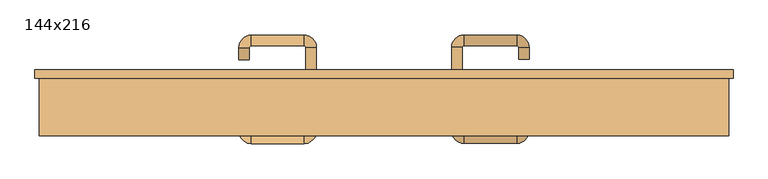
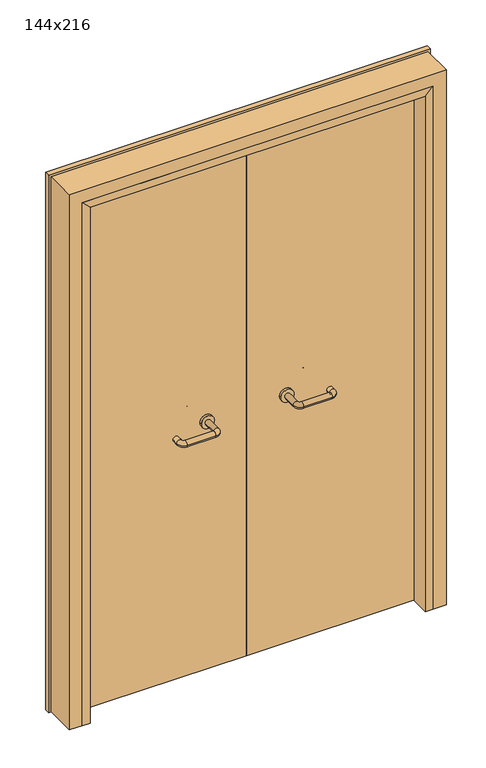
"""IFC4 building model written with IfcOpenShell, lengths in millimetres: door geometry, 144x216."""

from ifc_helpers import new_model, si_unit, point, frame, frame_2d, origin, place, context, project, spatial, polyline, circle_curve, ellipse_curve, trimmed, segment, composite_curve, outline, extrude, faceted_brep, source, transform, mapped, element, save
from ifc_brep_helpers import plane_surface, cylinder_surface, revolved_surface, advanced_brep


def door_144x216_8f34191e(model_context):
    return source(origin(), model_context, "Body", "SolidModel", [
        faceted_brep([(-640.0, 223.0, 0.0), (-640.0, 150.0, 0.0), (-670.0, 150.0, 0.0), (-670.0, 223.0, 0.0), (-640.0, 223.0, 2080.0), (-640.0, 150.0, 2080.0), (-670.0, 150.0, 2110.0), (-670.0, 223.0, 2110.0), (640.0, 223.0, 0.0), (670.0, 223.0, 0.0), (670.0, 150.0, 0.0), (640.0, 150.0, 0.0), (640.0, 223.0, 2080.0), (670.0, 223.0, 2110.0), (670.0, 150.0, 2110.0), (640.0, 150.0, 2080.0)], [[[0, 1, 2, 3]], [[1, 0, 4, 5]], [[2, 1, 5, 6]], [[3, 2, 6, 7]], [[0, 3, 7, 4]], [[8, 9, 10, 11]], [[12, 13, 9, 8]], [[13, 14, 10, 9]], [[14, 15, 11, 10]], [[15, 12, 8, 11]], [[5, 4, 12, 15]], [[6, 5, 15, 14]], [[7, 6, 14, 13]], [[4, 7, 13, 12]]]),
        extrude(outline(polyline([(2169.0, 729.0), (2169.0, -729.0), (0.0, -729.0), (0.0, -685.0), (2125.0, -685.0), (2125.0, 685.0), (0.0, 685.0), (0.0, 729.0), (2169.0, 729.0)])), frame((0.0, 270.0, 0.0), z_axis=(0.0, 1.0, 0.0), x_axis=(0.0, 0.0, 1.0)), (0.0, 0.0, 1.0), 18.0),
        extrude(outline(polyline([(2160.0, -720.0), (0.0, -720.0), (0.0, -670.0), (2110.0, -670.0), (2110.0, 670.0), (0.0, 670.0), (0.0, 720.0), (2160.0, 720.0), (2160.0, -720.0)])), frame((0.0, 150.0, 0.0), z_axis=(0.0, 1.0, 0.0), x_axis=(0.0, 0.0, 1.0)), (0.0, 0.0, 1.0), 120.0),
        advanced_brep(
        [(140.99898, 216.0, 1003.0), (162.99898, 216.0, 1003.0), (140.99898, 160.6474631, 1003.0), (162.99898, 160.6474631, 1003.0), (166.99898, 156.6474631, 1003.0), (166.99898, 134.6474631, 1003.0), (276.99898, 134.6474631, 1003.0), (276.99898, 156.6474631, 1003.0), (280.99898, 160.6474631, 1003.0), (302.99898, 160.6474631, 1003.0), (302.99898, 178.0, 1003.0), (280.99898, 178.0, 1003.0)],
        [
            (0, 1, circle_curve(frame((151.99898, 216.0, 1003.0), z_axis=(0.0, 1.0, 0.0), x_axis=(1.0, 0.0, 0.0)), 11.0)),
            (1, 0, circle_curve(frame((151.99898, 216.0, 1003.0), z_axis=(0.0, 1.0, 0.0), x_axis=(1.0, 0.0, 0.0)), 11.0)),
            (0, 2),
            (2, 3, circle_curve(frame((151.99898, 160.6474631, 1003.0), z_axis=(0.0, 1.0, 0.0), x_axis=(1.0, 0.0, 0.0)), 11.0)),
            (3, 1),
            (3, 2, circle_curve(frame((151.99898, 160.6474631, 1003.0), z_axis=(0.0, 1.0, 0.0), x_axis=(1.0, 0.0, 0.0)), 11.0)),
            (4, 3, circle_curve(frame((166.99898, 160.6474631, 1003.0), z_axis=(0.0, 0.0, -1.0), x_axis=(-1.0, 0.0, 0.0)), 4.0)),
            (2, 5, circle_curve(frame((166.99898, 160.6474631, 1003.0), z_axis=(0.0, 0.0, 1.0), x_axis=(-1.0, 0.0, 0.0)), 26.0)),
            (5, 4, circle_curve(frame((166.99898, 145.6474631, 1003.0), z_axis=(-1.0, 0.0, 0.0), x_axis=(0.0, 1.0, 0.0)), 11.0)),
            (4, 5, circle_curve(frame((166.99898, 145.6474631, 1003.0), z_axis=(-1.0, 0.0, 0.0), x_axis=(0.0, 1.0, 0.0)), 11.0)),
            (5, 6),
            (6, 7, circle_curve(frame((276.99898, 145.6474631, 1003.0), z_axis=(-1.0, 0.0, 0.0), x_axis=(0.0, 1.0, 0.0)), 11.0)),
            (7, 4),
            (7, 6, circle_curve(frame((276.99898, 145.6474631, 1003.0), z_axis=(-1.0, 0.0, 0.0), x_axis=(0.0, 1.0, 0.0)), 11.0)),
            (8, 7, circle_curve(frame((276.99898, 160.6474631, 1003.0), z_axis=(0.0, 0.0, -1.0), x_axis=(0.0, -1.0, 0.0)), 4.0)),
            (6, 9, circle_curve(frame((276.99898, 160.6474631, 1003.0), z_axis=(0.0, 0.0, 1.0), x_axis=(0.0, -1.0, 0.0)), 26.0)),
            (9, 8, circle_curve(frame((291.99898, 160.6474631, 1003.0), z_axis=(0.0, -1.0, 0.0), x_axis=(-1.0, 0.0, 0.0)), 11.0)),
            (8, 9, circle_curve(frame((291.99898, 160.6474631, 1003.0), z_axis=(0.0, -1.0, 0.0), x_axis=(-1.0, 0.0, 0.0)), 11.0)),
            (10, 11, circle_curve(frame((291.99898, 178.0, 1003.0), z_axis=(0.0, 1.0, 0.0), x_axis=(-1.0, 0.0, 0.0)), 11.0)),
            (11, 10, circle_curve(frame((291.99898, 178.0, 1003.0), z_axis=(0.0, 1.0, 0.0), x_axis=(-1.0, 0.0, 0.0)), 11.0)),
            (9, 10),
            (11, 8),
        ],
        [
            plane_surface(frame((140.99898, 216.0, 1003.0), z_axis=(0.0, 1.0, 0.0), x_axis=(0.0, 0.0, -1.0))),
            cylinder_surface(frame((151.99898, 216.0, 1003.0), z_axis=(0.0, 1.0, 0.0), x_axis=(1.0, 0.0, 0.0)), 11.0),
            revolved_surface(trimmed(ellipse_curve(frame((151.99898, 160.6474631, 1003.0), z_axis=(0.0, 1.0, 0.0), x_axis=(1.0, 0.0, 0.0)), 11.0, 11.0), [point((140.99898, 160.6474631, 1003.0))], [point((162.99898, 160.6474631, 1003.0))], True, "CARTESIAN"), (166.99898, 160.6474631, 1003.0), (0.0, 0.0, 1.0)),
            revolved_surface(trimmed(ellipse_curve(frame((151.99898, 160.6474631, 1003.0), z_axis=(0.0, 1.0, 0.0), x_axis=(1.0, 0.0, 0.0)), 11.0, 11.0), [point((162.99898, 160.6474631, 1003.0))], [point((140.99898, 160.6474631, 1003.0))], True, "CARTESIAN"), (166.99898, 160.6474631, 1003.0), (0.0, 0.0, 1.0)),
            cylinder_surface(frame((166.99898, 145.6474631, 1003.0), z_axis=(-1.0, 0.0, 0.0), x_axis=(0.0, 1.0, 0.0)), 11.0),
            revolved_surface(trimmed(ellipse_curve(frame((276.99898, 145.6474631, 1003.0), z_axis=(-1.0, 0.0, 0.0), x_axis=(0.0, 1.0, 0.0)), 11.0, 11.0), [point((276.99898, 134.6474631, 1003.0))], [point((276.99898, 156.6474631, 1003.0))], True, "CARTESIAN"), (276.99898, 160.6474631, 1003.0), (0.0, 0.0, 1.0)),
            revolved_surface(trimmed(ellipse_curve(frame((276.99898, 145.6474631, 1003.0), z_axis=(-1.0, 0.0, 0.0), x_axis=(0.0, 1.0, 0.0)), 11.0, 11.0), [point((276.99898, 156.6474631, 1003.0))], [point((276.99898, 134.6474631, 1003.0))], True, "CARTESIAN"), (276.99898, 160.6474631, 1003.0), (0.0, 0.0, 1.0)),
            plane_surface(frame((280.99898, 178.0, 1003.0), z_axis=(0.0, 1.0, 0.0), x_axis=(0.0, 0.0, 1.0))),
            cylinder_surface(frame((291.99898, 160.6474631, 1003.0), z_axis=(0.0, -1.0, 0.0), x_axis=(-1.0, 0.0, 0.0)), 11.0),
        ],
        [
            (0, [[1, 2]]),
            (1, [[-1, 3, 4, 5]]),
            (1, [[-2, -5, 6, -3]]),
            (2, [[7, -4, 8, 9]]),
            (3, [[-8, -6, -7, 10]]),
            (4, [[-9, 11, 12, 13]]),
            (4, [[-10, -13, 14, -11]]),
            (5, [[15, -12, 16, 17]]),
            (6, [[-16, -14, -15, 18]]),
            (7, [[19, 20]]),
            (8, [[-17, 21, -20, 22]]),
            (8, [[-18, -22, -19, -21]]),
        ],
    ),
        extrude(outline(composite_curve([segment(trimmed(circle_curve(frame_2d((1003.0, 151.99898)), 25.0), [point((1003.0, 126.99898))], [point((1003.0, 176.99898))], False, "CARTESIAN"), True, "CONTINUOUS"), segment(trimmed(circle_curve(frame_2d((1003.0, 151.99898)), 25.0), [point((1003.0, 176.99898))], [point((1003.0, 126.99898))], False, "CARTESIAN"), True, "CONTINUOUS")], self_intersect=False)), frame((0.0, 216.0, 0.0), z_axis=(0.0, 1.0, 0.0), x_axis=(0.0, 0.0, 1.0)), (0.0, 0.0, 1.0), 10.0),
        advanced_brep(
        [(162.99898, 280.0, 1003.0), (140.99898, 280.0, 1003.0), (162.99898, 335.0, 1003.0), (140.99898, 335.0, 1003.0), (166.99898, 361.0, 1003.0), (166.99898, 339.0, 1003.0), (276.99898, 339.0, 1003.0), (276.99898, 361.0, 1003.0), (302.99898, 335.0, 1003.0), (280.99898, 335.0, 1003.0), (280.99898, 310.0, 1003.0), (302.99898, 310.0, 1003.0)],
        [
            (0, 1, circle_curve(frame((151.99898, 280.0, 1003.0), z_axis=(0.0, -1.0, 0.0), x_axis=(-1.0, 0.0, 0.0)), 11.0)),
            (1, 0, circle_curve(frame((151.99898, 280.0, 1003.0), z_axis=(0.0, -1.0, 0.0), x_axis=(-1.0, 0.0, 0.0)), 11.0)),
            (0, 2),
            (2, 3, circle_curve(frame((151.99898, 335.0, 1003.0), z_axis=(0.0, -1.0, 0.0), x_axis=(-1.0, 0.0, 0.0)), 11.0)),
            (3, 1),
            (3, 2, circle_curve(frame((151.99898, 335.0, 1003.0), z_axis=(0.0, -1.0, 0.0), x_axis=(-1.0, 0.0, 0.0)), 11.0)),
            (4, 3, circle_curve(frame((166.99898, 335.0, 1003.0), z_axis=(0.0, 0.0, 1.0), x_axis=(-1.0, 0.0, 0.0)), 26.0)),
            (2, 5, circle_curve(frame((166.99898, 335.0, 1003.0), z_axis=(0.0, 0.0, -1.0), x_axis=(-1.0, 0.0, 0.0)), 4.0)),
            (5, 4, circle_curve(frame((166.99898, 350.0, 1003.0), z_axis=(-1.0, 0.0, 0.0), x_axis=(0.0, 1.0, 0.0)), 11.0)),
            (4, 5, circle_curve(frame((166.99898, 350.0, 1003.0), z_axis=(-1.0, 0.0, 0.0), x_axis=(0.0, 1.0, 0.0)), 11.0)),
            (5, 6),
            (6, 7, circle_curve(frame((276.99898, 350.0, 1003.0), z_axis=(-1.0, 0.0, 0.0), x_axis=(0.0, 1.0, 0.0)), 11.0)),
            (7, 4),
            (7, 6, circle_curve(frame((276.99898, 350.0, 1003.0), z_axis=(-1.0, 0.0, 0.0), x_axis=(0.0, 1.0, 0.0)), 11.0)),
            (8, 7, circle_curve(frame((276.99898, 335.0, 1003.0), z_axis=(0.0, 0.0, 1.0), x_axis=(0.0, 1.0, 0.0)), 26.0)),
            (6, 9, circle_curve(frame((276.99898, 335.0, 1003.0), z_axis=(0.0, 0.0, -1.0), x_axis=(0.0, 1.0, 0.0)), 4.0)),
            (9, 8, circle_curve(frame((291.99898, 335.0, 1003.0), z_axis=(0.0, 1.0, 0.0), x_axis=(1.0, 0.0, 0.0)), 11.0)),
            (8, 9, circle_curve(frame((291.99898, 335.0, 1003.0), z_axis=(0.0, 1.0, 0.0), x_axis=(1.0, 0.0, 0.0)), 11.0)),
            (10, 11, circle_curve(frame((291.99898, 310.0, 1003.0), z_axis=(0.0, -1.0, 0.0), x_axis=(1.0, 0.0, 0.0)), 11.0)),
            (11, 10, circle_curve(frame((291.99898, 310.0, 1003.0), z_axis=(0.0, -1.0, 0.0), x_axis=(1.0, 0.0, 0.0)), 11.0)),
            (9, 10),
            (11, 8),
        ],
        [
            plane_surface(frame((140.99898, 280.0, 1003.0), z_axis=(0.0, -1.0, 0.0), x_axis=(0.0, 0.0, 1.0))),
            cylinder_surface(frame((151.99898, 280.0, 1003.0), z_axis=(0.0, -1.0, 0.0), x_axis=(-1.0, 0.0, 0.0)), 11.0),
            revolved_surface(trimmed(ellipse_curve(frame((151.99898, 335.0, 1003.0), z_axis=(0.0, -1.0, 0.0), x_axis=(-1.0, 0.0, 0.0)), 11.0, 11.0), [point((162.99898, 335.0, 1003.0))], [point((140.99898, 335.0, 1003.0))], True, "CARTESIAN"), (166.99898, 335.0, 1003.0), (0.0, 0.0, -1.0)),
            revolved_surface(trimmed(ellipse_curve(frame((151.99898, 335.0, 1003.0), z_axis=(0.0, -1.0, 0.0), x_axis=(-1.0, 0.0, 0.0)), 11.0, 11.0), [point((140.99898, 335.0, 1003.0))], [point((162.99898, 335.0, 1003.0))], True, "CARTESIAN"), (166.99898, 335.0, 1003.0), (0.0, 0.0, -1.0)),
            cylinder_surface(frame((166.99898, 350.0, 1003.0), z_axis=(-1.0, 0.0, 0.0), x_axis=(0.0, 1.0, 0.0)), 11.0),
            revolved_surface(trimmed(ellipse_curve(frame((276.99898, 350.0, 1003.0), z_axis=(-1.0, 0.0, 0.0), x_axis=(0.0, 1.0, 0.0)), 11.0, 11.0), [point((276.99898, 339.0, 1003.0))], [point((276.99898, 361.0, 1003.0))], True, "CARTESIAN"), (276.99898, 335.0, 1003.0), (0.0, 0.0, -1.0)),
            revolved_surface(trimmed(ellipse_curve(frame((276.99898, 350.0, 1003.0), z_axis=(-1.0, 0.0, 0.0), x_axis=(0.0, 1.0, 0.0)), 11.0, 11.0), [point((276.99898, 361.0, 1003.0))], [point((276.99898, 339.0, 1003.0))], True, "CARTESIAN"), (276.99898, 335.0, 1003.0), (0.0, 0.0, -1.0)),
            plane_surface(frame((280.99898, 310.0, 1003.0), z_axis=(0.0, -1.0, 0.0), x_axis=(0.0, 0.0, -1.0))),
            cylinder_surface(frame((291.99898, 335.0, 1003.0), z_axis=(0.0, 1.0, 0.0), x_axis=(1.0, 0.0, 0.0)), 11.0),
        ],
        [
            (0, [[1, 2]]),
            (1, [[-1, 3, 4, 5]]),
            (1, [[-2, -5, 6, -3]]),
            (2, [[7, -4, 8, 9]]),
            (3, [[-8, -6, -7, 10]]),
            (4, [[-9, 11, 12, 13]]),
            (4, [[-10, -13, 14, -11]]),
            (5, [[15, -12, 16, 17]]),
            (6, [[-16, -14, -15, 18]]),
            (7, [[19, 20]]),
            (8, [[-17, 21, -20, 22]]),
            (8, [[-18, -22, -19, -21]]),
        ],
    ),
        extrude(outline(composite_curve([segment(trimmed(circle_curve(frame_2d((1003.0, 151.99898)), 25.0), [point((1003.0, 176.99898))], [point((1003.0, 126.99898))], False, "CARTESIAN"), True, "CONTINUOUS"), segment(trimmed(circle_curve(frame_2d((1003.0, 151.99898)), 25.0), [point((1003.0, 126.99898))], [point((1003.0, 176.99898))], False, "CARTESIAN"), True, "CONTINUOUS")], self_intersect=False)), frame((0.0, 270.0, 0.0), z_axis=(0.0, 1.0, 0.0), x_axis=(0.0, 0.0, 1.0)), (0.0, 0.0, 1.0), 10.0),
        advanced_brep(
        [(-162.99898, 215.6886121, 1003.0), (-140.99898, 215.6886121, 1003.0), (-162.99898, 160.2779553, 1003.0), (-140.99898, 160.2779553, 1003.0), (-166.99898, 134.2779553, 1003.0), (-166.99898, 156.2779553, 1003.0), (-276.99898, 156.2779553, 1003.0), (-276.99898, 134.2779553, 1003.0), (-302.99898, 160.2779553, 1003.0), (-280.99898, 160.2779553, 1003.0), (-280.99898, 185.2779553, 1003.0), (-302.99898, 185.2779553, 1003.0)],
        [
            (0, 1, circle_curve(frame((-151.99898, 215.6886121, 1003.0), z_axis=(0.0, 1.0, 0.0), x_axis=(1.0, 0.0, 0.0)), 11.0)),
            (1, 0, circle_curve(frame((-151.99898, 215.6886121, 1003.0), z_axis=(0.0, 1.0, 0.0), x_axis=(1.0, 0.0, 0.0)), 11.0)),
            (0, 2),
            (2, 3, circle_curve(frame((-151.99898, 160.2779553, 1003.0), z_axis=(0.0, 1.0, 0.0), x_axis=(1.0, 0.0, 0.0)), 11.0)),
            (3, 1),
            (3, 2, circle_curve(frame((-151.99898, 160.2779553, 1003.0), z_axis=(0.0, 1.0, 0.0), x_axis=(1.0, 0.0, 0.0)), 11.0)),
            (4, 3, circle_curve(frame((-166.99898, 160.2779553, 1003.0), z_axis=(0.0, 0.0, 1.0), x_axis=(1.0, 0.0, 0.0)), 26.0)),
            (2, 5, circle_curve(frame((-166.99898, 160.2779553, 1003.0), z_axis=(0.0, 0.0, -1.0), x_axis=(1.0, 0.0, 0.0)), 4.0)),
            (5, 4, circle_curve(frame((-166.99898, 145.2779553, 1003.0), z_axis=(1.0, 0.0, 0.0), x_axis=(0.0, -1.0, 0.0)), 11.0)),
            (4, 5, circle_curve(frame((-166.99898, 145.2779553, 1003.0), z_axis=(1.0, 0.0, 0.0), x_axis=(0.0, -1.0, 0.0)), 11.0)),
            (5, 6),
            (6, 7, circle_curve(frame((-276.99898, 145.2779553, 1003.0), z_axis=(1.0, 0.0, 0.0), x_axis=(0.0, -1.0, 0.0)), 11.0)),
            (7, 4),
            (7, 6, circle_curve(frame((-276.99898, 145.2779553, 1003.0), z_axis=(1.0, 0.0, 0.0), x_axis=(0.0, -1.0, 0.0)), 11.0)),
            (8, 7, circle_curve(frame((-276.99898, 160.2779553, 1003.0), z_axis=(0.0, 0.0, 1.0), x_axis=(0.0, -1.0, 0.0)), 26.0)),
            (6, 9, circle_curve(frame((-276.99898, 160.2779553, 1003.0), z_axis=(0.0, 0.0, -1.0), x_axis=(0.0, -1.0, 0.0)), 4.0)),
            (9, 8, circle_curve(frame((-291.99898, 160.2779553, 1003.0), z_axis=(0.0, -1.0, 0.0), x_axis=(-1.0, 0.0, 0.0)), 11.0)),
            (8, 9, circle_curve(frame((-291.99898, 160.2779553, 1003.0), z_axis=(0.0, -1.0, 0.0), x_axis=(-1.0, 0.0, 0.0)), 11.0)),
            (10, 11, circle_curve(frame((-291.99898, 185.2779553, 1003.0), z_axis=(0.0, 1.0, 0.0), x_axis=(-1.0, 0.0, 0.0)), 11.0)),
            (11, 10, circle_curve(frame((-291.99898, 185.2779553, 1003.0), z_axis=(0.0, 1.0, 0.0), x_axis=(-1.0, 0.0, 0.0)), 11.0)),
            (9, 10),
            (11, 8),
        ],
        [
            plane_surface(frame((-162.99898, 215.6886121, 1003.0), z_axis=(0.0, 1.0, 0.0), x_axis=(0.0, 0.0, -1.0))),
            cylinder_surface(frame((-151.99898, 215.6886121, 1003.0), z_axis=(0.0, 1.0, 0.0), x_axis=(1.0, 0.0, 0.0)), 11.0),
            revolved_surface(trimmed(ellipse_curve(frame((-151.99898, 160.2779553, 1003.0), z_axis=(0.0, 1.0, 0.0), x_axis=(1.0, 0.0, 0.0)), 11.0, 11.0), [point((-162.99898, 160.2779553, 1003.0))], [point((-140.99898, 160.2779553, 1003.0))], True, "CARTESIAN"), (-166.99898, 160.2779553, 1003.0), (0.0, 0.0, -1.0)),
            revolved_surface(trimmed(ellipse_curve(frame((-151.99898, 160.2779553, 1003.0), z_axis=(0.0, 1.0, 0.0), x_axis=(1.0, 0.0, 0.0)), 11.0, 11.0), [point((-140.99898, 160.2779553, 1003.0))], [point((-162.99898, 160.2779553, 1003.0))], True, "CARTESIAN"), (-166.99898, 160.2779553, 1003.0), (0.0, 0.0, -1.0)),
            cylinder_surface(frame((-166.99898, 145.2779553, 1003.0), z_axis=(1.0, 0.0, 0.0), x_axis=(0.0, -1.0, 0.0)), 11.0),
            revolved_surface(trimmed(ellipse_curve(frame((-276.99898, 145.2779553, 1003.0), z_axis=(1.0, 0.0, 0.0), x_axis=(0.0, -1.0, 0.0)), 11.0, 11.0), [point((-276.99898, 156.2779553, 1003.0))], [point((-276.99898, 134.2779553, 1003.0))], True, "CARTESIAN"), (-276.99898, 160.2779553, 1003.0), (0.0, 0.0, -1.0)),
            revolved_surface(trimmed(ellipse_curve(frame((-276.99898, 145.2779553, 1003.0), z_axis=(1.0, 0.0, 0.0), x_axis=(0.0, -1.0, 0.0)), 11.0, 11.0), [point((-276.99898, 134.2779553, 1003.0))], [point((-276.99898, 156.2779553, 1003.0))], True, "CARTESIAN"), (-276.99898, 160.2779553, 1003.0), (0.0, 0.0, -1.0)),
            plane_surface(frame((-302.99898, 185.2779553, 1003.0), z_axis=(0.0, 1.0, 0.0), x_axis=(0.0, 0.0, 1.0))),
            cylinder_surface(frame((-291.99898, 160.2779553, 1003.0), z_axis=(0.0, -1.0, 0.0), x_axis=(-1.0, 0.0, 0.0)), 11.0),
        ],
        [
            (0, [[1, 2]]),
            (1, [[-1, 3, 4, 5]]),
            (1, [[-2, -5, 6, -3]]),
            (2, [[7, -4, 8, 9]]),
            (3, [[-8, -6, -7, 10]]),
            (4, [[-9, 11, 12, 13]]),
            (4, [[-10, -13, 14, -11]]),
            (5, [[15, -12, 16, 17]]),
            (6, [[-16, -14, -15, 18]]),
            (7, [[19, 20]]),
            (8, [[-17, 21, -20, 22]]),
            (8, [[-18, -22, -19, -21]]),
        ],
    ),
        extrude(outline(composite_curve([segment(trimmed(circle_curve(frame_2d((1003.0, -151.99898)), 25.0), [point((1003.0, -176.99898))], [point((1003.0, -126.99898))], False, "CARTESIAN"), True, "CONTINUOUS"), segment(trimmed(circle_curve(frame_2d((1003.0, -151.99898)), 25.0), [point((1003.0, -126.99898))], [point((1003.0, -176.99898))], False, "CARTESIAN"), True, "CONTINUOUS")], self_intersect=False)), frame((0.0, 215.6886121, 0.0), z_axis=(0.0, 1.0, 0.0), x_axis=(0.0, 0.0, 1.0)), (0.0, 0.0, 1.0), 10.3113879),
        advanced_brep(
        [(-140.99898, 279.5143417, 1003.0), (-162.99898, 279.5143417, 1003.0), (-140.99898, 334.6104656, 1003.0), (-162.99898, 334.6104656, 1003.0), (-166.99898, 338.6104656, 1003.0), (-166.99898, 360.6104656, 1003.0), (-276.99898, 360.6104656, 1003.0), (-276.99898, 338.6104656, 1003.0), (-280.99898, 334.6104656, 1003.0), (-302.99898, 334.6104656, 1003.0), (-302.99898, 309.6104656, 1003.0), (-280.99898, 309.6104656, 1003.0)],
        [
            (0, 1, circle_curve(frame((-151.99898, 279.5143417, 1003.0), z_axis=(0.0, -1.0, 0.0), x_axis=(-1.0, 0.0, 0.0)), 11.0)),
            (1, 0, circle_curve(frame((-151.99898, 279.5143417, 1003.0), z_axis=(0.0, -1.0, 0.0), x_axis=(-1.0, 0.0, 0.0)), 11.0)),
            (0, 2),
            (2, 3, circle_curve(frame((-151.99898, 334.6104656, 1003.0), z_axis=(0.0, -1.0, 0.0), x_axis=(-1.0, 0.0, 0.0)), 11.0)),
            (3, 1),
            (3, 2, circle_curve(frame((-151.99898, 334.6104656, 1003.0), z_axis=(0.0, -1.0, 0.0), x_axis=(-1.0, 0.0, 0.0)), 11.0)),
            (4, 3, circle_curve(frame((-166.99898, 334.6104656, 1003.0), z_axis=(0.0, 0.0, -1.0), x_axis=(1.0, 0.0, 0.0)), 4.0)),
            (2, 5, circle_curve(frame((-166.99898, 334.6104656, 1003.0), z_axis=(0.0, 0.0, 1.0), x_axis=(1.0, 0.0, 0.0)), 26.0)),
            (5, 4, circle_curve(frame((-166.99898, 349.6104656, 1003.0), z_axis=(1.0, 0.0, 0.0), x_axis=(0.0, -1.0, 0.0)), 11.0)),
            (4, 5, circle_curve(frame((-166.99898, 349.6104656, 1003.0), z_axis=(1.0, 0.0, 0.0), x_axis=(0.0, -1.0, 0.0)), 11.0)),
            (5, 6),
            (6, 7, circle_curve(frame((-276.99898, 349.6104656, 1003.0), z_axis=(1.0, 0.0, 0.0), x_axis=(0.0, -1.0, 0.0)), 11.0)),
            (7, 4),
            (7, 6, circle_curve(frame((-276.99898, 349.6104656, 1003.0), z_axis=(1.0, 0.0, 0.0), x_axis=(0.0, -1.0, 0.0)), 11.0)),
            (8, 7, circle_curve(frame((-276.99898, 334.6104656, 1003.0), z_axis=(0.0, 0.0, -1.0), x_axis=(0.0, 1.0, 0.0)), 4.0)),
            (6, 9, circle_curve(frame((-276.99898, 334.6104656, 1003.0), z_axis=(0.0, 0.0, 1.0), x_axis=(0.0, 1.0, 0.0)), 26.0)),
            (9, 8, circle_curve(frame((-291.99898, 334.6104656, 1003.0), z_axis=(0.0, 1.0, 0.0), x_axis=(1.0, 0.0, 0.0)), 11.0)),
            (8, 9, circle_curve(frame((-291.99898, 334.6104656, 1003.0), z_axis=(0.0, 1.0, 0.0), x_axis=(1.0, 0.0, 0.0)), 11.0)),
            (10, 11, circle_curve(frame((-291.99898, 309.6104656, 1003.0), z_axis=(0.0, -1.0, 0.0), x_axis=(1.0, 0.0, 0.0)), 11.0)),
            (11, 10, circle_curve(frame((-291.99898, 309.6104656, 1003.0), z_axis=(0.0, -1.0, 0.0), x_axis=(1.0, 0.0, 0.0)), 11.0)),
            (9, 10),
            (11, 8),
        ],
        [
            plane_surface(frame((-162.99898, 279.5143417, 1003.0), z_axis=(0.0, -1.0, 0.0), x_axis=(0.0, 0.0, 1.0))),
            cylinder_surface(frame((-151.99898, 279.5143417, 1003.0), z_axis=(0.0, -1.0, 0.0), x_axis=(-1.0, 0.0, 0.0)), 11.0),
            revolved_surface(trimmed(ellipse_curve(frame((-151.99898, 334.6104656, 1003.0), z_axis=(0.0, -1.0, 0.0), x_axis=(-1.0, 0.0, 0.0)), 11.0, 11.0), [point((-140.99898, 334.6104656, 1003.0))], [point((-162.99898, 334.6104656, 1003.0))], True, "CARTESIAN"), (-166.99898, 334.6104656, 1003.0), (0.0, 0.0, 1.0)),
            revolved_surface(trimmed(ellipse_curve(frame((-151.99898, 334.6104656, 1003.0), z_axis=(0.0, -1.0, 0.0), x_axis=(-1.0, 0.0, 0.0)), 11.0, 11.0), [point((-162.99898, 334.6104656, 1003.0))], [point((-140.99898, 334.6104656, 1003.0))], True, "CARTESIAN"), (-166.99898, 334.6104656, 1003.0), (0.0, 0.0, 1.0)),
            cylinder_surface(frame((-166.99898, 349.6104656, 1003.0), z_axis=(1.0, 0.0, 0.0), x_axis=(0.0, -1.0, 0.0)), 11.0),
            revolved_surface(trimmed(ellipse_curve(frame((-276.99898, 349.6104656, 1003.0), z_axis=(1.0, 0.0, 0.0), x_axis=(0.0, -1.0, 0.0)), 11.0, 11.0), [point((-276.99898, 360.6104656, 1003.0))], [point((-276.99898, 338.6104656, 1003.0))], True, "CARTESIAN"), (-276.99898, 334.6104656, 1003.0), (0.0, 0.0, 1.0)),
            revolved_surface(trimmed(ellipse_curve(frame((-276.99898, 349.6104656, 1003.0), z_axis=(1.0, 0.0, 0.0), x_axis=(0.0, -1.0, 0.0)), 11.0, 11.0), [point((-276.99898, 338.6104656, 1003.0))], [point((-276.99898, 360.6104656, 1003.0))], True, "CARTESIAN"), (-276.99898, 334.6104656, 1003.0), (0.0, 0.0, 1.0)),
            plane_surface(frame((-302.99898, 309.6104656, 1003.0), z_axis=(0.0, -1.0, 0.0), x_axis=(0.0, 0.0, -1.0))),
            cylinder_surface(frame((-291.99898, 334.6104656, 1003.0), z_axis=(0.0, 1.0, 0.0), x_axis=(1.0, 0.0, 0.0)), 11.0),
        ],
        [
            (0, [[1, 2]]),
            (1, [[-1, 3, 4, 5]]),
            (1, [[-2, -5, 6, -3]]),
            (2, [[7, -4, 8, 9]]),
            (3, [[-8, -6, -7, 10]]),
            (4, [[-9, 11, 12, 13]]),
            (4, [[-10, -13, 14, -11]]),
            (5, [[15, -12, 16, 17]]),
            (6, [[-16, -14, -15, 18]]),
            (7, [[19, 20]]),
            (8, [[-17, 21, -20, 22]]),
            (8, [[-18, -22, -19, -21]]),
        ],
    ),
        extrude(outline(composite_curve([segment(trimmed(circle_curve(frame_2d((1003.0, -151.99898)), 25.0), [point((1003.0, -126.99898))], [point((1003.0, -176.99898))], False, "CARTESIAN"), True, "CONTINUOUS"), segment(trimmed(circle_curve(frame_2d((1003.0, -151.99898)), 25.0), [point((1003.0, -176.99898))], [point((1003.0, -126.99898))], False, "CARTESIAN"), True, "CONTINUOUS")], self_intersect=False)), frame((0.0, 270.0, 0.0), z_axis=(0.0, 1.0, 0.0), x_axis=(0.0, 0.0, 1.0)), (0.0, 0.0, 1.0), 9.5143417),
        extrude(outline(polyline([(1.0739506, 226.0), (-667.0, 226.0), (-667.0, 270.0), (1.0739506, 270.0), (1.0739506, 226.0)])), frame((0.0, 0.0, 1.753223), z_axis=(0.0, 0.0, 1.0), x_axis=(1.0, 0.0, 0.0)), (0.0, 0.0, 1.0), 2108.246777),
        extrude(outline(polyline([(667.0, 226.0), (1.0739506, 226.0), (1.0739506, 270.0), (667.0, 270.0), (667.0, 226.0)])), frame((0.0, 0.0, 1.753223), z_axis=(0.0, 0.0, 1.0), x_axis=(1.0, 0.0, 0.0)), (0.0, 0.0, 1.0), 2108.246777),
    ])


if __name__ == "__main__":
    model = new_model("IFC4")
    model_context = context("Model", 3, world=origin())
    ifc_project = project(units=[si_unit("LENGTHUNIT", "METRE", prefix="MILLI")], contexts=[model_context])
    site = spatial("IfcSite", under=ifc_project)
    building = spatial("IfcBuilding", under=site)
    placement = place(None, origin())
    door_144x216_shape = door_144x216_8f34191e(model_context)
    element("IfcDoor", 1, ObjectType="144x216", at=placement, inside=building, context=model_context, shape_type="MappedRepresentation", body=[
        mapped(door_144x216_shape, transform((0.0, 0.0, 0.0), x_axis=(1.0, 0.0, 0.0), y_axis=(0.0, 1.0, 0.0), z_axis=(0.0, 0.0, 1.0))),
    ])
    save(model, "model.ifc")
